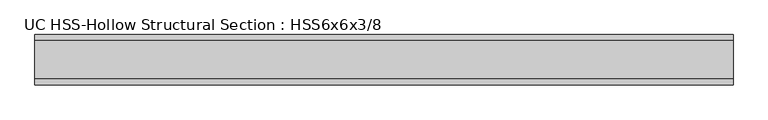
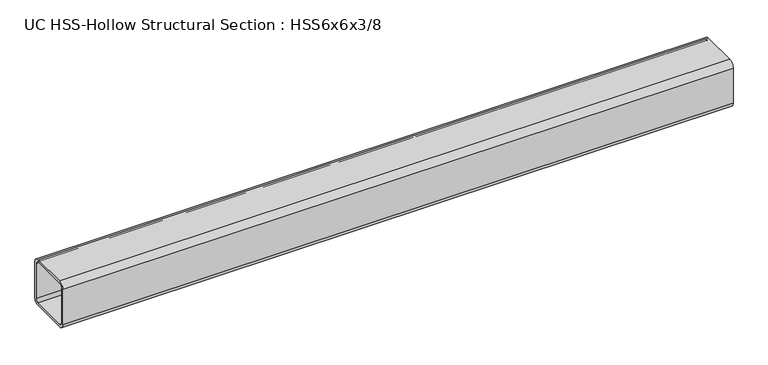
"""IFC4 building model written with IfcOpenShell, lengths in millimetres: beam geometry, UC HSS-Hollow Structural Section : HSS6x6x3/8."""

from ifc_helpers import new_model, si_unit, point, frame, frame_2d, origin, place, context, project, spatial, polyline, circle_curve, trimmed, segment, composite_curve, outline, extrude, source, transform, mapped, element, save


def uc_hss_hollow_structural_section_hss6x6x3_8_3cc492f2(model_context):
    return source(origin(), model_context, "Body", "SweptSolid", [
        extrude(outline(composite_curve([segment(trimmed(circle_curve(frame_2d((-58.4708, 58.4708)), 17.7292), [point((-76.2, 58.4708))], [point((-58.4708, 76.2))], False, "CARTESIAN"), True, "CONTINUOUS"), segment(polyline([(-58.4708, 76.2), (58.4708, 76.2)]), True, "CONTINUOUS"), segment(trimmed(circle_curve(frame_2d((58.4708, 58.4708)), 17.7292), [point((58.4708, 76.2))], [point((76.2, 58.4708))], False, "CARTESIAN"), True, "CONTINUOUS"), segment(polyline([(76.2, 58.4708), (76.2, -58.4708)]), True, "CONTINUOUS"), segment(trimmed(circle_curve(frame_2d((58.4708, -58.4708)), 17.7292), [point((76.2, -58.4708))], [point((58.4708, -76.2))], False, "CARTESIAN"), True, "CONTINUOUS"), segment(polyline([(58.4708, -76.2), (-58.4708, -76.2)]), True, "CONTINUOUS"), segment(trimmed(circle_curve(frame_2d((-58.4708, -58.4708)), 17.7292), [point((-58.4708, -76.2))], [point((-76.2, -58.4708))], False, "CARTESIAN"), True, "CONTINUOUS"), segment(polyline([(-76.2, -58.4708), (-76.2, 58.4708)]), True, "CONTINUOUS")], self_intersect=False), holes=[composite_curve([segment(polyline([(58.4708, 67.3354), (-58.4708, 67.3354)]), True, "CONTINUOUS"), segment(trimmed(circle_curve(frame_2d((-58.4708, 58.4708)), 8.8646), [point((-58.4708, 67.3354))], [point((-67.3354, 58.4708))], True, "CARTESIAN"), True, "CONTINUOUS"), segment(polyline([(-67.3354, 58.4708), (-67.3354, -58.4708)]), True, "CONTINUOUS"), segment(trimmed(circle_curve(frame_2d((-58.4708, -58.4708)), 8.8646), [point((-67.3354, -58.4708))], [point((-58.4708, -67.3354))], True, "CARTESIAN"), True, "CONTINUOUS"), segment(polyline([(-58.4708, -67.3354), (58.4708, -67.3354)]), True, "CONTINUOUS"), segment(trimmed(circle_curve(frame_2d((58.4708, -58.4708)), 8.8646), [point((58.4708, -67.3354))], [point((67.3354, -58.4708))], True, "CARTESIAN"), True, "CONTINUOUS"), segment(polyline([(67.3354, -58.4708), (67.3354, 58.4708)]), True, "CONTINUOUS"), segment(trimmed(circle_curve(frame_2d((58.4708, 58.4708)), 8.8646), [point((67.3354, 58.4708))], [point((58.4708, 67.3354))], True, "CARTESIAN"), True, "CONTINUOUS")], self_intersect=False)]), frame((-1068.8384672, 0.0, 0.0), z_axis=(1.0, 0.0, 0.0), x_axis=(0.0, 1.0, 0.0)), (0.0, 0.0, 1.0), 2109.2415982),
    ])


if __name__ == "__main__":
    model = new_model("IFC4")
    model_context = context("Model", 3, world=origin())
    ifc_project = project(units=[si_unit("LENGTHUNIT", "METRE", prefix="MILLI")], contexts=[model_context])
    site = spatial("IfcSite", under=ifc_project)
    building = spatial("IfcBuilding", under=site)
    placement = place(None, origin())
    uc_hss_hollow_structural_section_hss6x6x3_8_shape = uc_hss_hollow_structural_section_hss6x6x3_8_3cc492f2(model_context)
    element("IfcBeam", 1, ObjectType="UC HSS-Hollow Structural Section : HSS6x6x3/8", at=placement, inside=building, context=model_context, shape_type="MappedRepresentation", body=[
        mapped(uc_hss_hollow_structural_section_hss6x6x3_8_shape, transform((0.0, 0.0, 0.0), x_axis=(1.0, 0.0, 0.0), y_axis=(0.0, 1.0, 0.0), z_axis=(0.0, 0.0, 1.0))),
    ])
    save(model, "model.ifc")
